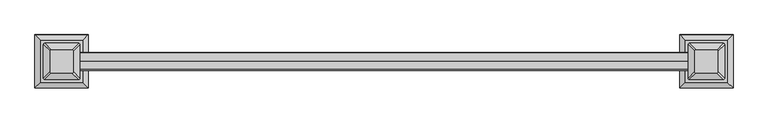
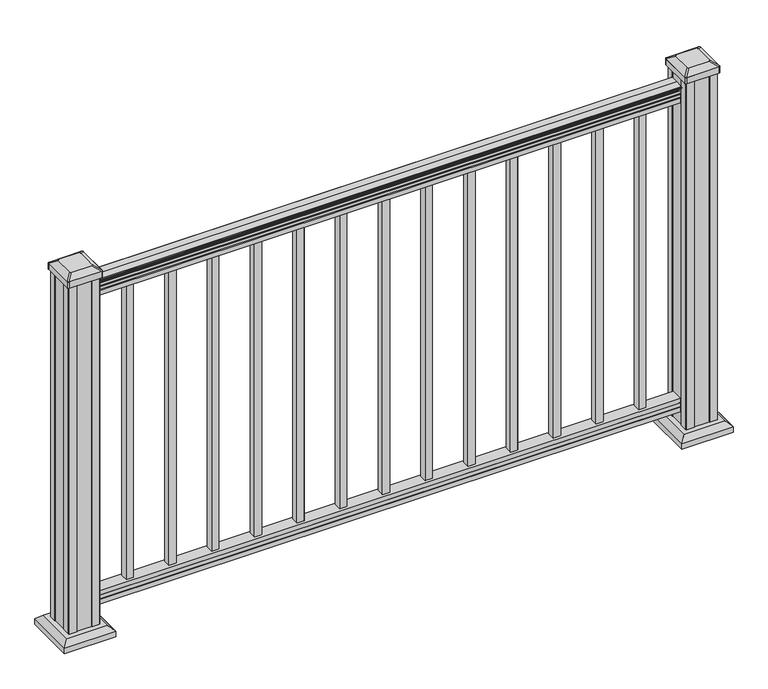
"""IFC4 building model written with IfcOpenShell, lengths in millimetres: railing geometry."""

from ifc_helpers import new_model, si_unit, point, frame, frame_2d, origin, origin_with_axes, place, context, project, spatial, polyline, circle_curve, trimmed, segment, composite_curve, outline, extrude, faceted_brep, source, transform, mapped, element, save
from ifc_brep_helpers import plane_surface, cylinder_surface, revolved_surface, extruded_surface, advanced_brep


def railing_b45ffa72(model_context):
    return source(origin(), model_context, "Body", "SolidModel", [
        advanced_brep(
        [(21892.4289688, 4568.1559745, 938.4043297), (21892.4289688, 4568.1559745, 940.292412), (21892.4289688, 4569.2861608, 941.8546695), (21892.4289688, 4569.2861608, 949.0726458), (21892.4289688, 4568.6369044, 951.5060812), (21892.4289688, 4571.1369044, 955.8362083), (21892.4289688, 4572.5462469, 957.5157972), (21892.4289688, 4572.9481459, 958.6205318), (21892.4289688, 4572.9481458, 959.9608158), (21892.4289688, 4571.3946986, 961.514263), (21892.4289688, 4550.7231458, 961.514263), (21892.4289688, 4530.051593, 961.514263), (21892.4289688, 4528.4981458, 959.9608158), (21892.4289688, 4528.4981458, 958.6205318), (21892.4289688, 4528.9000447, 957.5157972), (21892.4289688, 4530.3093872, 955.8362083), (21892.4289688, 4532.8093872, 951.5060812), (21892.4289688, 4532.1601308, 949.0726458), (21892.4289688, 4532.1601308, 941.8546695), (21892.4289688, 4533.2903171, 940.292412), (21892.4289688, 4533.2903171, 938.4043297), (21892.4289688, 4535.8641458, 938.4043297), (21892.4289688, 4535.8641458, 927.9048283), (21892.4289688, 4534.8481458, 926.8888283), (21892.4289688, 4534.8481458, 914.4), (21892.4289688, 4566.5981458, 914.4), (21892.4289688, 4566.5981458, 926.731013), (21892.4289688, 4565.5821458, 927.747013), (21892.4289688, 4565.5821458, 938.4043297), (20368.4289688, 4568.1559745, 938.4043297), (20368.4289688, 4565.5821458, 938.4043297), (20368.4289688, 4565.5821458, 927.747013), (20368.4289688, 4566.5981458, 926.731013), (20368.4289688, 4566.5981458, 914.4), (20368.4289688, 4534.8481458, 914.4), (20368.4289688, 4534.8481458, 926.8888283), (20368.4289688, 4535.8641458, 927.9048283), (20368.4289688, 4535.8641458, 938.4043297), (20368.4289688, 4533.2903171, 938.4043297), (20368.4289688, 4533.2903171, 940.292412), (20368.4289688, 4532.1601308, 941.8546695), (20368.4289688, 4532.1601308, 949.0726458), (20368.4289688, 4532.8093872, 951.5060812), (20368.4289688, 4530.3093872, 955.8362083), (20368.4289688, 4528.9000447, 957.5157972), (20368.4289688, 4528.4981457, 958.6205318), (20368.4289688, 4528.4981458, 959.9608158), (20368.4289688, 4530.051593, 961.514263), (20368.4289688, 4550.7231458, 961.514263), (20368.4289688, 4571.3946986, 961.514263), (20368.4289688, 4572.9481458, 959.9608158), (20368.4289688, 4572.9481458, 958.6205318), (20368.4289688, 4572.5462469, 957.5157972), (20368.4289688, 4571.1369044, 955.8362083), (20368.4289688, 4568.6369044, 951.5060812), (20368.4289688, 4569.2861608, 949.0726458), (20368.4289688, 4569.2861608, 941.8546695), (20368.4289688, 4568.1559745, 940.292412)],
        [
            (0, 1),
            (1, 2, circle_curve(frame((21892.4289688, 4561.8412213, 946.0506383), z_axis=(1.0, 0.0, 0.0), x_axis=(0.0, -1.0, 0.0)), 8.545951)),
            (2, 3, circle_curve(frame((21892.4289688, 4562.2782842, 945.4636577), z_axis=(1.0, 0.0, 0.0), x_axis=(0.0, -1.0, 0.0)), 7.882584)),
            (3, 4, circle_curve(frame((21892.4289688, 4572.7916083, 951.3112527), z_axis=(-1.0, 0.0, 0.0), x_axis=(0.0, -1.0, 0.0)), 4.1592695)),
            (4, 5, circle_curve(frame((21892.4289688, 4574.0789149, 951.2508864), z_axis=(-1.0, 0.0, 0.0), x_axis=(0.0, -1.0, 0.0)), 5.4479907)),
            (5, 6, circle_curve(frame((21892.4289688, 4572.8457565, 955.833395), z_axis=(-1.0, 0.0, 0.0), x_axis=(0.0, -1.0, 0.0)), 1.7088543)),
            (6, 7, circle_curve(frame((21892.4289688, 4571.2288564, 958.6205318), z_axis=(1.0, 0.0, 0.0), x_axis=(0.0, -1.0, 0.0)), 1.7192895)),
            (7, 8),
            (8, 9, circle_curve(frame((21892.4289688, 4571.3946986, 959.9608158), z_axis=(1.0, 0.0, 0.0), x_axis=(0.0, -1.0, 0.0)), 1.5534472)),
            (9, 10),
            (10, 11),
            (11, 12, circle_curve(frame((21892.4289688, 4530.051593, 959.9608158), z_axis=(1.0, 0.0, 0.0), x_axis=(0.0, 1.0, 0.0)), 1.5534472)),
            (12, 13),
            (13, 14, circle_curve(frame((21892.4289688, 4530.2174352, 958.6205318), z_axis=(1.0, 0.0, 0.0), x_axis=(0.0, 1.0, 0.0)), 1.7192895)),
            (14, 15, circle_curve(frame((21892.4289688, 4528.6005351, 955.833395), z_axis=(-1.0, 0.0, 0.0), x_axis=(0.0, 1.0, 0.0)), 1.7088543)),
            (15, 16, circle_curve(frame((21892.4289688, 4527.3673767, 951.2508864), z_axis=(-1.0, 0.0, 0.0), x_axis=(0.0, 1.0, 0.0)), 5.4479907)),
            (16, 17, circle_curve(frame((21892.4289688, 4528.6546832, 951.3112527), z_axis=(-1.0, 0.0, 0.0), x_axis=(0.0, 1.0, 0.0)), 4.1592695)),
            (17, 18, circle_curve(frame((21892.4289688, 4539.1680074, 945.4636577), z_axis=(1.0, 0.0, 0.0), x_axis=(0.0, 1.0, 0.0)), 7.882584)),
            (18, 19, circle_curve(frame((21892.4289688, 4539.6050703, 946.0506383), z_axis=(1.0, 0.0, 0.0), x_axis=(0.0, 1.0, 0.0)), 8.545951)),
            (19, 20),
            (20, 21, circle_curve(frame((21892.4289688, 4534.5772314, 938.4043297), z_axis=(1.0, 0.0, 0.0), x_axis=(0.0, 1.0, 0.0)), 1.2869144)),
            (21, 22),
            (22, 23),
            (23, 24),
            (24, 25),
            (25, 26),
            (26, 27),
            (27, 28),
            (28, 0, circle_curve(frame((21892.4289688, 4566.8690602, 938.4043297), z_axis=(1.0, 0.0, 0.0), x_axis=(0.0, -1.0, 0.0)), 1.2869144)),
            (29, 30, circle_curve(frame((20368.4289688, 4566.8690602, 938.4043297), z_axis=(-1.0, 0.0, 0.0), x_axis=(0.0, -1.0, 0.0)), 1.2869144)),
            (30, 31),
            (31, 32),
            (32, 33),
            (33, 34),
            (34, 35),
            (35, 36),
            (36, 37),
            (37, 38, circle_curve(frame((20368.4289688, 4534.5772314, 938.4043297), z_axis=(-1.0, 0.0, 0.0), x_axis=(0.0, 1.0, 0.0)), 1.2869144)),
            (38, 39),
            (39, 40, circle_curve(frame((20368.4289688, 4539.6050703, 946.0506383), z_axis=(-1.0, 0.0, 0.0), x_axis=(0.0, 1.0, 0.0)), 8.545951)),
            (40, 41, circle_curve(frame((20368.4289688, 4539.1680074, 945.4636577), z_axis=(-1.0, 0.0, 0.0), x_axis=(0.0, 1.0, 0.0)), 7.882584)),
            (41, 42, circle_curve(frame((20368.4289688, 4528.6546832, 951.3112527), z_axis=(1.0, 0.0, 0.0), x_axis=(0.0, 1.0, 0.0)), 4.1592695)),
            (42, 43, circle_curve(frame((20368.4289688, 4527.3673767, 951.2508864), z_axis=(1.0, 0.0, 0.0), x_axis=(0.0, 1.0, 0.0)), 5.4479907)),
            (43, 44, circle_curve(frame((20368.4289688, 4528.6005351, 955.833395), z_axis=(1.0, 0.0, 0.0), x_axis=(0.0, 1.0, 0.0)), 1.7088543)),
            (44, 45, circle_curve(frame((20368.4289688, 4530.2174352, 958.6205318), z_axis=(-1.0, 0.0, 0.0), x_axis=(0.0, 1.0, 0.0)), 1.7192895)),
            (45, 46),
            (46, 47, circle_curve(frame((20368.4289688, 4530.051593, 959.9608158), z_axis=(-1.0, 0.0, 0.0), x_axis=(0.0, 1.0, 0.0)), 1.5534472)),
            (47, 48),
            (48, 49),
            (49, 50, circle_curve(frame((20368.4289688, 4571.3946986, 959.9608158), z_axis=(-1.0, 0.0, 0.0), x_axis=(0.0, -1.0, 0.0)), 1.5534472)),
            (50, 51),
            (51, 52, circle_curve(frame((20368.4289688, 4571.2288564, 958.6205318), z_axis=(-1.0, 0.0, 0.0), x_axis=(0.0, -1.0, 0.0)), 1.7192895)),
            (52, 53, circle_curve(frame((20368.4289688, 4572.8457565, 955.833395), z_axis=(1.0, 0.0, 0.0), x_axis=(0.0, -1.0, 0.0)), 1.7088543)),
            (53, 54, circle_curve(frame((20368.4289688, 4574.0789149, 951.2508864), z_axis=(1.0, 0.0, 0.0), x_axis=(0.0, -1.0, 0.0)), 5.4479907)),
            (54, 55, circle_curve(frame((20368.4289688, 4572.7916083, 951.3112527), z_axis=(1.0, 0.0, 0.0), x_axis=(0.0, -1.0, 0.0)), 4.1592695)),
            (55, 56, circle_curve(frame((20368.4289688, 4562.2782842, 945.4636577), z_axis=(-1.0, 0.0, 0.0), x_axis=(0.0, -1.0, 0.0)), 7.882584)),
            (56, 57, circle_curve(frame((20368.4289688, 4561.8412213, 946.0506383), z_axis=(-1.0, 0.0, 0.0), x_axis=(0.0, -1.0, 0.0)), 8.545951)),
            (57, 29),
            (28, 30),
            (29, 0),
            (27, 31),
            (26, 32),
            (25, 33),
            (24, 34),
            (23, 35),
            (22, 36),
            (21, 37),
            (20, 38),
            (19, 39),
            (18, 40),
            (17, 41),
            (16, 42),
            (15, 43),
            (14, 44),
            (13, 45),
            (12, 46),
            (11, 47),
            (10, 48),
            (9, 49),
            (8, 50),
            (7, 51),
            (6, 52),
            (5, 53),
            (4, 54),
            (3, 55),
            (2, 56),
            (1, 57),
        ],
        [
            plane_surface(frame((21892.4289688, 4550.7231458, 914.4), z_axis=(1.0, 0.0, 0.0), x_axis=(0.0, -1.0, 0.0))),
            plane_surface(frame((20368.4289688, 4550.7231458, 914.4), z_axis=(-1.0, 0.0, 0.0), x_axis=(0.0, -1.0, 0.0))),
            cylinder_surface(frame((21892.4289688, 4566.8690602, 938.4043297), z_axis=(1.0, 0.0, 0.0), x_axis=(0.0, -1.0, 0.0)), 1.2869144),
            plane_surface(frame((21892.4289688, 4565.5821458, 927.747013), z_axis=(0.0, 1.0, 0.0), x_axis=(-1.0, 0.0, 0.0))),
            plane_surface(frame((21892.4289688, 4566.5981458, 926.731013), z_axis=(0.0, 0.7071067811865395, 0.7071067811865556), x_axis=(-1.0, 0.0, 0.0))),
            plane_surface(frame((21892.4289688, 4566.5981458, 914.4), z_axis=(0.0, 1.0, 0.0), x_axis=(-1.0, 0.0, 0.0))),
            plane_surface(frame((21892.4289688, 4534.8481458, 914.4), z_axis=(0.0, 0.0, -1.0), x_axis=(-1.0, 0.0, 0.0))),
            plane_surface(frame((21892.4289688, 4534.8481458, 926.8888283), z_axis=(0.0, -1.0, 0.0), x_axis=(-1.0, 0.0, 0.0))),
            plane_surface(frame((21892.4289688, 4535.8641458, 927.9048283), z_axis=(0.0, -0.7071067811865432, 0.707106781186552), x_axis=(-1.0, 0.0, 0.0))),
            plane_surface(frame((21892.4289688, 4535.8641458, 938.4043297), z_axis=(0.0, -1.0, 0.0), x_axis=(-1.0, 0.0, 0.0))),
            cylinder_surface(frame((21892.4289688, 4534.5772314, 938.4043297), z_axis=(1.0, 0.0, 0.0), x_axis=(0.0, 1.0, 0.0)), 1.2869144),
            plane_surface(frame((21892.4289688, 4533.2903171, 940.292412), z_axis=(0.0, -1.0, 0.0), x_axis=(-1.0, 0.0, 0.0))),
            cylinder_surface(frame((21892.4289688, 4539.6050703, 946.0506383), z_axis=(1.0, 0.0, 0.0), x_axis=(0.0, 1.0, 0.0)), 8.545951),
            cylinder_surface(frame((21892.4289688, 4539.1680074, 945.4636577), z_axis=(1.0, 0.0, 0.0), x_axis=(0.0, 1.0, 0.0)), 7.882584),
            revolved_surface(polyline([(20368.4289688, 4532.8139527, 951.3112527), (21892.4289688, 4532.8139527, 951.3112527)]), (21892.4289688, 4528.6546832, 951.3112527), (-1.0, 0.0, 0.0)),
            revolved_surface(polyline([(20368.4289688, 4532.8153674000005, 951.2508864), (21892.4289688, 4532.8153674000005, 951.2508864)]), (21892.4289688, 4527.3673767, 951.2508864), (-1.0, 0.0, 0.0)),
            revolved_surface(polyline([(20368.4289688, 4530.3093894, 955.833395), (21892.4289688, 4530.3093894, 955.833395)]), (21892.4289688, 4528.6005351, 955.833395), (-1.0, 0.0, 0.0)),
            cylinder_surface(frame((21892.4289688, 4530.2174352, 958.6205318), z_axis=(1.0, 0.0, 0.0), x_axis=(0.0, 1.0, 0.0)), 1.7192895),
            plane_surface(frame((21892.4289688, 4528.4981458, 959.9608158), z_axis=(0.0, -1.0, 0.0), x_axis=(-1.0, 0.0, 0.0))),
            cylinder_surface(frame((21892.4289688, 4530.051593, 959.9608158), z_axis=(1.0, 0.0, 0.0), x_axis=(0.0, 1.0, 0.0)), 1.5534472),
            plane_surface(frame((21892.4289688, 4550.7231458, 961.514263), z_axis=(0.0, 0.0, 1.0), x_axis=(-1.0, 0.0, 0.0))),
            plane_surface(frame((21892.4289688, 4571.3946986, 961.514263), z_axis=(0.0, 0.0, 1.0), x_axis=(-1.0, 0.0, 0.0))),
            cylinder_surface(frame((21892.4289688, 4571.3946986, 959.9608158), z_axis=(1.0, 0.0, 0.0), x_axis=(0.0, -1.0, 0.0)), 1.5534472),
            plane_surface(frame((21892.4289688, 4572.9481458, 958.6205318), z_axis=(0.0, 1.0, 0.0), x_axis=(-1.0, 0.0, 0.0))),
            cylinder_surface(frame((21892.4289688, 4571.2288564, 958.6205318), z_axis=(1.0, 0.0, 0.0), x_axis=(0.0, -1.0, 0.0)), 1.7192895),
            revolved_surface(polyline([(20368.4289688, 4571.1369022, 955.833395), (21892.4289688, 4571.1369022, 955.833395)]), (21892.4289688, 4572.8457565, 955.833395), (-1.0, 0.0, 0.0)),
            revolved_surface(polyline([(20368.4289688, 4568.6309242, 951.2508864), (21892.4289688, 4568.6309242, 951.2508864)]), (21892.4289688, 4574.0789149, 951.2508864), (-1.0, 0.0, 0.0)),
            revolved_surface(polyline([(20368.4289688, 4568.6323388, 951.3112527), (21892.4289688, 4568.6323388, 951.3112527)]), (21892.4289688, 4572.7916083, 951.3112527), (-1.0, 0.0, 0.0)),
            cylinder_surface(frame((21892.4289688, 4562.2782842, 945.4636577), z_axis=(1.0, 0.0, 0.0), x_axis=(0.0, -1.0, 0.0)), 7.882584),
            cylinder_surface(frame((21892.4289688, 4561.8412213, 946.0506383), z_axis=(1.0, 0.0, 0.0), x_axis=(0.0, -1.0, 0.0)), 8.545951),
            plane_surface(frame((21892.4289688, 4568.1559745, 938.4043297), z_axis=(0.0, 1.0, 0.0), x_axis=(-1.0, 0.0, 0.0))),
        ],
        [
            (0, [[1, 2, 3, 4, 5, 6, 7, 8, 9, 10, 11, 12, 13, 14, 15, 16, 17, 18, 19, 20, 21, 22, 23, 24, 25, 26, 27, 28, 29]]),
            (1, [[30, 31, 32, 33, 34, 35, 36, 37, 38, 39, 40, 41, 42, 43, 44, 45, 46, 47, 48, 49, 50, 51, 52, 53, 54, 55, 56, 57, 58]]),
            (2, [[-29, 59, -30, 60]]),
            (3, [[-28, 61, -31, -59]]),
            (4, [[-27, 62, -32, -61]]),
            (5, [[-26, 63, -33, -62]]),
            (6, [[-25, 64, -34, -63]]),
            (7, [[-24, 65, -35, -64]]),
            (8, [[-23, 66, -36, -65]]),
            (9, [[-22, 67, -37, -66]]),
            (10, [[-21, 68, -38, -67]]),
            (11, [[-20, 69, -39, -68]]),
            (12, [[-19, 70, -40, -69]]),
            (13, [[-18, 71, -41, -70]]),
            (14, [[-17, 72, -42, -71]]),
            (15, [[-16, 73, -43, -72]]),
            (16, [[-15, 74, -44, -73]]),
            (17, [[-14, 75, -45, -74]]),
            (18, [[-13, 76, -46, -75]]),
            (19, [[-12, 77, -47, -76]]),
            (20, [[-11, 78, -48, -77]]),
            (21, [[-10, 79, -49, -78]]),
            (22, [[-9, 80, -50, -79]]),
            (23, [[-8, 81, -51, -80]]),
            (24, [[-7, 82, -52, -81]]),
            (25, [[-6, 83, -53, -82]]),
            (26, [[-5, 84, -54, -83]]),
            (27, [[-4, 85, -55, -84]]),
            (28, [[-3, 86, -56, -85]]),
            (29, [[-2, 87, -57, -86]]),
            (30, [[-1, -60, -58, -87]]),
        ],
    ),
        faceted_brep([(21892.4289688, 4566.6356327, 76.0541976), (21892.4289688, 4565.6196327, 77.3546183), (21892.4289688, 4565.6196327, 87.7141717), (21892.4289688, 4566.6356327, 89.0624492), (21892.4289688, 4566.6356327, 101.5958781), (21892.4289688, 4534.8856327, 101.5958781), (21892.4289688, 4534.8856327, 89.0458024), (21892.4289688, 4535.9016327, 87.6975248), (21892.4289688, 4535.9016327, 77.3858283), (21892.4289688, 4534.8856327, 76.0375508), (21892.4289688, 4534.8856327, 63.5), (21892.4289688, 4566.6356327, 63.5), (20368.4289688, 4566.6356327, 76.0541976), (20368.4289688, 4566.6356327, 63.5), (20368.4289688, 4534.8856327, 63.5), (20368.4289688, 4534.8856327, 76.0375508), (20368.4289688, 4535.9016327, 77.3858283), (20368.4289688, 4535.9016327, 87.6975248), (20368.4289688, 4534.8856327, 89.0458024), (20368.4289688, 4534.8856327, 101.5958781), (20368.4289688, 4566.6356327, 101.5958781), (20368.4289688, 4566.6356327, 89.0624492), (20368.4289688, 4565.6196327, 87.7141717), (20368.4289688, 4565.6196327, 77.3546183)], [[[0, 1, 2, 3, 4, 5, 6, 7, 8, 9, 10, 11]], [[12, 13, 14, 15, 16, 17, 18, 19, 20, 21, 22, 23]], [[0, 11, 13, 12]], [[11, 10, 14, 13]], [[10, 9, 15, 14]], [[9, 8, 16, 15]], [[8, 7, 17, 16]], [[7, 6, 18, 17]], [[6, 5, 19, 18]], [[5, 4, 20, 19]], [[4, 3, 21, 20]], [[3, 2, 22, 21]], [[2, 1, 23, 22]], [[1, 0, 12, 23]]]),
        extrude(outline(polyline([(20473.0055313, 4560.2481458), (20473.0055313, 4541.1981458), (20453.9555313, 4541.1981458), (20453.9555313, 4560.2481458), (20473.0055313, 4560.2481458)]), holes=[polyline([(20472.6086563, 4559.8512708), (20454.3524063, 4559.8512708), (20454.3524063, 4541.5950208), (20472.6086563, 4541.5950208), (20472.6086563, 4559.8512708)])]), frame((0.0, 0.0, 101.5958781), z_axis=(0.0, 0.0, 1.0), x_axis=(1.0, 0.0, 0.0)), (0.0, 0.0, 1.0), 812.8041219),
        extrude(outline(polyline([(20584.1305313, 4560.2481458), (20584.1305313, 4541.1981458), (20565.0805313, 4541.1981458), (20565.0805313, 4560.2481458), (20584.1305313, 4560.2481458)]), holes=[polyline([(20583.7336563, 4559.8512708), (20565.4774063, 4559.8512708), (20565.4774063, 4541.5950208), (20583.7336563, 4541.5950208), (20583.7336563, 4559.8512708)])]), frame((0.0, 0.0, 101.5958781), z_axis=(0.0, 0.0, 1.0), x_axis=(1.0, 0.0, 0.0)), (0.0, 0.0, 1.0), 812.8041219),
        extrude(outline(polyline([(20695.2555313, 4560.2481458), (20695.2555313, 4541.1981458), (20676.2055313, 4541.1981458), (20676.2055313, 4560.2481458), (20695.2555313, 4560.2481458)]), holes=[polyline([(20694.8586563, 4559.8512708), (20676.6024063, 4559.8512708), (20676.6024063, 4541.5950208), (20694.8586563, 4541.5950208), (20694.8586563, 4559.8512708)])]), frame((0.0, 0.0, 101.5958781), z_axis=(0.0, 0.0, 1.0), x_axis=(1.0, 0.0, 0.0)), (0.0, 0.0, 1.0), 812.8041219),
        extrude(outline(polyline([(20806.3805313, 4560.2481458), (20806.3805313, 4541.1981458), (20787.3305313, 4541.1981458), (20787.3305313, 4560.2481458), (20806.3805313, 4560.2481458)]), holes=[polyline([(20805.9836563, 4559.8512708), (20787.7274063, 4559.8512708), (20787.7274063, 4541.5950208), (20805.9836563, 4541.5950208), (20805.9836563, 4559.8512708)])]), frame((0.0, 0.0, 101.5958781), z_axis=(0.0, 0.0, 1.0), x_axis=(1.0, 0.0, 0.0)), (0.0, 0.0, 1.0), 812.8041219),
        extrude(outline(polyline([(20917.5055313, 4560.2481458), (20917.5055313, 4541.1981458), (20898.4555313, 4541.1981458), (20898.4555313, 4560.2481458), (20917.5055313, 4560.2481458)]), holes=[polyline([(20917.1086563, 4559.8512708), (20898.8524063, 4559.8512708), (20898.8524063, 4541.5950208), (20917.1086563, 4541.5950208), (20917.1086563, 4559.8512708)])]), frame((0.0, 0.0, 101.5958781), z_axis=(0.0, 0.0, 1.0), x_axis=(1.0, 0.0, 0.0)), (0.0, 0.0, 1.0), 812.8041219),
        extrude(outline(polyline([(21028.6305313, 4560.2481458), (21028.6305313, 4541.1981458), (21009.5805313, 4541.1981458), (21009.5805313, 4560.2481458), (21028.6305313, 4560.2481458)]), holes=[polyline([(21028.2336563, 4559.8512708), (21009.9774063, 4559.8512708), (21009.9774063, 4541.5950208), (21028.2336563, 4541.5950208), (21028.2336563, 4559.8512708)])]), frame((0.0, 0.0, 101.5958781), z_axis=(0.0, 0.0, 1.0), x_axis=(1.0, 0.0, 0.0)), (0.0, 0.0, 1.0), 812.8041219),
        extrude(outline(polyline([(21139.7555313, 4560.2481458), (21139.7555313, 4541.1981458), (21120.7055313, 4541.1981458), (21120.7055313, 4560.2481458), (21139.7555313, 4560.2481458)]), holes=[polyline([(21139.3586563, 4559.8512708), (21121.1024063, 4559.8512708), (21121.1024063, 4541.5950208), (21139.3586563, 4541.5950208), (21139.3586563, 4559.8512708)])]), frame((0.0, 0.0, 101.5958781), z_axis=(0.0, 0.0, 1.0), x_axis=(1.0, 0.0, 0.0)), (0.0, 0.0, 1.0), 812.8041219),
        extrude(outline(polyline([(21250.8805313, 4560.2481458), (21250.8805313, 4541.1981458), (21231.8305313, 4541.1981458), (21231.8305313, 4560.2481458), (21250.8805313, 4560.2481458)]), holes=[polyline([(21250.4836563, 4559.8512708), (21232.2274063, 4559.8512708), (21232.2274063, 4541.5950208), (21250.4836563, 4541.5950208), (21250.4836563, 4559.8512708)])]), frame((0.0, 0.0, 101.5958781), z_axis=(0.0, 0.0, 1.0), x_axis=(1.0, 0.0, 0.0)), (0.0, 0.0, 1.0), 812.8041219),
        extrude(outline(polyline([(21362.0055313, 4560.2481458), (21362.0055313, 4541.1981458), (21342.9555313, 4541.1981458), (21342.9555313, 4560.2481458), (21362.0055313, 4560.2481458)]), holes=[polyline([(21361.6086563, 4559.8512708), (21343.3524063, 4559.8512708), (21343.3524063, 4541.5950208), (21361.6086563, 4541.5950208), (21361.6086563, 4559.8512708)])]), frame((0.0, 0.0, 101.5958781), z_axis=(0.0, 0.0, 1.0), x_axis=(1.0, 0.0, 0.0)), (0.0, 0.0, 1.0), 812.8041219),
        extrude(outline(polyline([(21473.1305313, 4560.2481458), (21473.1305313, 4541.1981458), (21454.0805313, 4541.1981458), (21454.0805313, 4560.2481458), (21473.1305313, 4560.2481458)]), holes=[polyline([(21472.7336563, 4559.8512708), (21454.4774063, 4559.8512708), (21454.4774063, 4541.5950208), (21472.7336563, 4541.5950208), (21472.7336563, 4559.8512708)])]), frame((0.0, 0.0, 101.5958781), z_axis=(0.0, 0.0, 1.0), x_axis=(1.0, 0.0, 0.0)), (0.0, 0.0, 1.0), 812.8041219),
        extrude(outline(polyline([(21584.2555313, 4560.2481458), (21584.2555313, 4541.1981458), (21565.2055313, 4541.1981458), (21565.2055313, 4560.2481458), (21584.2555313, 4560.2481458)]), holes=[polyline([(21583.8586563, 4559.8512708), (21565.6024063, 4559.8512708), (21565.6024063, 4541.5950208), (21583.8586563, 4541.5950208), (21583.8586563, 4559.8512708)])]), frame((0.0, 0.0, 101.5958781), z_axis=(0.0, 0.0, 1.0), x_axis=(1.0, 0.0, 0.0)), (0.0, 0.0, 1.0), 812.8041219),
        extrude(outline(polyline([(21695.3805313, 4560.2481458), (21695.3805313, 4541.1981458), (21676.3305313, 4541.1981458), (21676.3305313, 4560.2481458), (21695.3805313, 4560.2481458)]), holes=[polyline([(21694.9836563, 4559.8512708), (21676.7274063, 4559.8512708), (21676.7274063, 4541.5950208), (21694.9836563, 4541.5950208), (21694.9836563, 4559.8512708)])]), frame((0.0, 0.0, 101.5958781), z_axis=(0.0, 0.0, 1.0), x_axis=(1.0, 0.0, 0.0)), (0.0, 0.0, 1.0), 812.8041219),
        extrude(outline(polyline([(21806.5055313, 4560.2481458), (21806.5055313, 4541.1981458), (21787.4555313, 4541.1981458), (21787.4555313, 4560.2481458), (21806.5055313, 4560.2481458)]), holes=[polyline([(21806.1086563, 4559.8512708), (21787.8524063, 4559.8512708), (21787.8524063, 4541.5950208), (21806.1086563, 4541.5950208), (21806.1086563, 4559.8512708)])]), frame((0.0, 0.0, 101.5958781), z_axis=(0.0, 0.0, 1.0), x_axis=(1.0, 0.0, 0.0)), (0.0, 0.0, 1.0), 812.8041219),
        faceted_brep([(20379.7399063, 4603.3090833, 28.575), (20274.5680313, 4603.3090833, 28.575), (20274.5680313, 4498.1372083, 28.575), (20379.7399063, 4498.1372083, 28.575), (20393.7793595, 4617.3485364, 15.24), (20393.7793595, 4484.0977552, 15.24), (20260.5285782, 4484.0977552, 15.24), (20260.5285782, 4617.3485364, 15.24)], [[[0, 1, 2, 3]], [[4, 5, 6, 7]], [[4, 0, 3, 5]], [[5, 3, 2, 6]], [[6, 2, 1, 7]], [[7, 1, 0, 4]]]),
        extrude(outline(polyline([(20393.7793595, 4617.3485364), (20393.7793595, 4484.0977552), (20260.5285782, 4484.0977552), (20260.5285782, 4617.3485364), (20393.7793595, 4617.3485364)])), origin_with_axes(), (0.0, 0.0, 1.0), 15.24),
        advanced_brep(
        [(20356.1258438, 4524.9262708, 1012.825), (20356.1258438, 4576.5200208, 1012.825), (20352.9508438, 4579.6950208, 1012.825), (20301.3570938, 4579.6950208, 1012.825), (20298.1820938, 4576.5200208, 1012.825), (20298.1820938, 4524.9262708, 1012.825), (20301.3570938, 4521.7512708, 1012.825), (20352.9508438, 4521.7512708, 1012.825), (20372.3977188, 4508.6543958, 1001.522), (20369.2227188, 4505.4793958, 1001.522), (20285.0852188, 4505.4793958, 1001.522), (20281.9102188, 4508.6543958, 1001.522), (20281.9102188, 4592.7918958, 1001.522), (20285.0852188, 4595.9668958, 1001.522), (20369.2227188, 4595.9668958, 1001.522), (20372.3977188, 4592.7918958, 1001.522)],
        [
            (0, 1),
            (1, 2, circle_curve(frame((20352.9508438, 4576.5200208, 1012.825), z_axis=(0.0, 0.0, 1.0), x_axis=(-1.0, 0.0, 0.0)), 3.175)),
            (2, 3),
            (3, 4, circle_curve(frame((20301.3570938, 4576.5200208, 1012.825), z_axis=(0.0, 0.0, 1.0), x_axis=(-1.0, 0.0, 0.0)), 3.175)),
            (4, 5),
            (5, 6, circle_curve(frame((20301.3570938, 4524.9262708, 1012.825), z_axis=(0.0, 0.0, 1.0), x_axis=(-1.0, 0.0, 0.0)), 3.175)),
            (6, 7),
            (7, 0, circle_curve(frame((20352.9508438, 4524.9262708, 1012.825), z_axis=(0.0, 0.0, 1.0), x_axis=(-1.0, 0.0, 0.0)), 3.175)),
            (8, 9, circle_curve(frame((20369.2227188, 4508.6543958, 1001.522), z_axis=(0.0, 0.0, -1.0), x_axis=(-1.0, 0.0, 0.0)), 3.175)),
            (9, 10),
            (10, 11, circle_curve(frame((20285.0852188, 4508.6543958, 1001.522), z_axis=(0.0, 0.0, -1.0), x_axis=(-1.0, 0.0, 0.0)), 3.175)),
            (11, 12),
            (12, 13, circle_curve(frame((20285.0852188, 4592.7918958, 1001.522), z_axis=(0.0, 0.0, -1.0), x_axis=(-1.0, 0.0, 0.0)), 3.175)),
            (13, 14),
            (14, 15, circle_curve(frame((20369.2227188, 4592.7918958, 1001.522), z_axis=(0.0, 0.0, -1.0), x_axis=(-1.0, 0.0, 0.0)), 3.175)),
            (15, 8),
            (8, 0),
            (7, 9),
            (6, 10),
            (5, 11),
            (4, 12),
            (3, 13),
            (2, 14),
            (1, 15),
        ],
        [
            plane_surface(frame((20327.1539688, 4550.7231458, 1012.825), z_axis=(0.0, 0.0, 1.0), x_axis=(0.0, -1.0, 0.0))),
            plane_surface(frame((20327.1539688, 4550.7231458, 1001.522), z_axis=(0.0, 0.0, -1.0), x_axis=(0.0, -1.0, 0.0))),
            extruded_surface(trimmed(circle_curve(frame((20352.9508438, 4524.9262708, 1012.825), z_axis=(0.0, 0.0, -1.0), x_axis=(-1.0, 0.0, 0.0)), 3.175), [point((20356.1258438, 4524.9262708, 1012.825))], [point((20352.9508438, 4521.7512708, 1012.825))], True, "CARTESIAN"), (16.271874999998545, -16.271874999999454, -11.302999999999997), 25.63797263886489),
            plane_surface(frame((20327.1539688, 4505.4793958, 1001.522), z_axis=(0.0, -0.5705009161540779, 0.8212969649690408), x_axis=(-1.0, 0.0, 0.0))),
            extruded_surface(trimmed(circle_curve(frame((20301.3570938, 4524.9262708, 1012.825), z_axis=(0.0, 0.0, -1.0), x_axis=(-1.0, 0.0, 0.0)), 3.175), [point((20301.3570938, 4521.7512708, 1012.825))], [point((20298.1820938, 4524.9262708, 1012.825))], True, "CARTESIAN"), (-16.271875000002183, -16.271874999999454, -11.302999999999997), 25.6379726388672),
            plane_surface(frame((20281.9102188, 4550.7231458, 1001.522), z_axis=(-0.5705009161540291, 0.0, 0.8212969649690747), x_axis=(0.0, 1.0, 0.0))),
            extruded_surface(trimmed(circle_curve(frame((20301.3570938, 4576.5200208, 1012.825), z_axis=(0.0, 0.0, -1.0), x_axis=(-1.0, 0.0, 0.0)), 3.175), [point((20298.1820938, 4576.5200208, 1012.825))], [point((20301.3570938, 4579.6950208, 1012.825))], True, "CARTESIAN"), (-16.271875000002183, 16.271875000000364, -11.302999999999997), 25.63797263886778),
            plane_surface(frame((20327.1539688, 4595.9668958, 1001.522), z_axis=(0.0, 0.5705009161540141, 0.8212969649690851), x_axis=(1.0, 0.0, 0.0))),
            extruded_surface(trimmed(circle_curve(frame((20352.9508438, 4576.5200208, 1012.825), z_axis=(0.0, 0.0, -1.0), x_axis=(-1.0, 0.0, 0.0)), 3.175), [point((20352.9508438, 4579.6950208, 1012.825))], [point((20356.1258438, 4576.5200208, 1012.825))], True, "CARTESIAN"), (16.271874999998545, 16.271875000000364, -11.302999999999997), 25.637972638865467),
            plane_surface(frame((20372.3977188, 4550.7231458, 1001.522), z_axis=(0.570500916154034, 0.0, 0.8212969649690713), x_axis=(0.0, -1.0, 0.0))),
        ],
        [
            (0, [[1, 2, 3, 4, 5, 6, 7, 8]]),
            (1, [[9, 10, 11, 12, 13, 14, 15, 16]]),
            (2, [[17, -8, 18, -9]]),
            (3, [[-18, -7, 19, -10]]),
            (4, [[-19, -6, 20, -11]]),
            (5, [[-20, -5, 21, -12]]),
            (6, [[-21, -4, 22, -13]]),
            (7, [[-22, -3, 23, -14]]),
            (8, [[-23, -2, 24, -15]]),
            (9, [[-24, -1, -17, -16]]),
        ],
    ),
        extrude(outline(composite_curve([segment(trimmed(circle_curve(frame_2d((20369.2227188, 4508.6543958)), 3.175), [point((20372.3977188, 4508.6543958))], [point((20369.2227188, 4505.4793958))], False, "CARTESIAN"), True, "CONTINUOUS"), segment(polyline([(20369.2227188, 4505.4793958), (20285.0852188, 4505.4793958)]), True, "CONTINUOUS"), segment(trimmed(circle_curve(frame_2d((20285.0852188, 4508.6543958)), 3.175), [point((20285.0852188, 4505.4793958))], [point((20281.9102188, 4508.6543958))], False, "CARTESIAN"), True, "CONTINUOUS"), segment(polyline([(20281.9102188, 4508.6543958), (20281.9102188, 4592.7918958)]), True, "CONTINUOUS"), segment(trimmed(circle_curve(frame_2d((20285.0852188, 4592.7918958)), 3.175), [point((20281.9102188, 4592.7918958))], [point((20285.0852188, 4595.9668958))], False, "CARTESIAN"), True, "CONTINUOUS"), segment(polyline([(20285.0852188, 4595.9668958), (20369.2227188, 4595.9668958)]), True, "CONTINUOUS"), segment(trimmed(circle_curve(frame_2d((20369.2227188, 4592.7918958)), 3.175), [point((20369.2227188, 4595.9668958))], [point((20372.3977188, 4592.7918958))], False, "CARTESIAN"), True, "CONTINUOUS"), segment(polyline([(20372.3977188, 4592.7918958), (20372.3977188, 4508.6543958)]), True, "CONTINUOUS")], self_intersect=False)), frame((0.0, 0.0, 984.25), z_axis=(0.0, 0.0, 1.0), x_axis=(1.0, 0.0, 0.0)), (0.0, 0.0, 1.0), 17.272),
        extrude(outline(polyline([(20368.4289688, 4511.0356458), (20366.8414688, 4509.4481458), (20347.2199688, 4509.4481458), (20346.4579688, 4511.0356458), (20307.8499688, 4511.0356458), (20307.0879688, 4509.4481458), (20287.4664688, 4509.4481458), (20285.8789688, 4511.0356458), (20285.8789688, 4530.6571458), (20287.4664688, 4531.4191458), (20287.4664688, 4570.0271458), (20285.8789688, 4570.7891458), (20285.8789688, 4590.4106458), (20287.4664688, 4591.9981458), (20307.0879688, 4591.9981458), (20307.8499688, 4590.4106458), (20346.4579688, 4590.4106458), (20347.2199688, 4591.9981458), (20366.8414688, 4591.9981458), (20368.4289688, 4590.4106458), (20368.4289688, 4570.7891458), (20366.8414688, 4570.0271458), (20366.8414688, 4531.4191458), (20368.4289688, 4530.6571458), (20368.4289688, 4511.0356458)])), origin_with_axes(), (0.0, 0.0, 1.0), 984.25),
        faceted_brep([(21986.2899063, 4603.3090833, 28.575), (21881.1180313, 4603.3090833, 28.575), (21881.1180313, 4498.1372083, 28.575), (21986.2899063, 4498.1372083, 28.575), (22000.3293595, 4617.3485364, 15.24), (22000.3293595, 4484.0977552, 15.24), (21867.0785782, 4484.0977552, 15.24), (21867.0785782, 4617.3485364, 15.24)], [[[0, 1, 2, 3]], [[4, 5, 6, 7]], [[4, 0, 3, 5]], [[5, 3, 2, 6]], [[6, 2, 1, 7]], [[7, 1, 0, 4]]]),
        extrude(outline(polyline([(22000.3293595, 4617.3485364), (22000.3293595, 4484.0977552), (21867.0785782, 4484.0977552), (21867.0785782, 4617.3485364), (22000.3293595, 4617.3485364)])), origin_with_axes(), (0.0, 0.0, 1.0), 15.24),
        advanced_brep(
        [(21962.6758438, 4524.9262708, 1012.825), (21962.6758438, 4576.5200208, 1012.825), (21959.5008438, 4579.6950208, 1012.825), (21907.9070938, 4579.6950208, 1012.825), (21904.7320938, 4576.5200208, 1012.825), (21904.7320938, 4524.9262708, 1012.825), (21907.9070938, 4521.7512708, 1012.825), (21959.5008438, 4521.7512708, 1012.825), (21978.9477188, 4508.6543958, 1001.522), (21975.7727188, 4505.4793958, 1001.522), (21891.6352188, 4505.4793958, 1001.522), (21888.4602188, 4508.6543958, 1001.522), (21888.4602188, 4592.7918958, 1001.522), (21891.6352188, 4595.9668958, 1001.522), (21975.7727188, 4595.9668958, 1001.522), (21978.9477188, 4592.7918958, 1001.522)],
        [
            (0, 1),
            (1, 2, circle_curve(frame((21959.5008438, 4576.5200208, 1012.825), z_axis=(0.0, 0.0, 1.0), x_axis=(-1.0, 0.0, 0.0)), 3.175)),
            (2, 3),
            (3, 4, circle_curve(frame((21907.9070938, 4576.5200208, 1012.825), z_axis=(0.0, 0.0, 1.0), x_axis=(-1.0, 0.0, 0.0)), 3.175)),
            (4, 5),
            (5, 6, circle_curve(frame((21907.9070938, 4524.9262708, 1012.825), z_axis=(0.0, 0.0, 1.0), x_axis=(-1.0, 0.0, 0.0)), 3.175)),
            (6, 7),
            (7, 0, circle_curve(frame((21959.5008438, 4524.9262708, 1012.825), z_axis=(0.0, 0.0, 1.0), x_axis=(-1.0, 0.0, 0.0)), 3.175)),
            (8, 9, circle_curve(frame((21975.7727188, 4508.6543958, 1001.522), z_axis=(0.0, 0.0, -1.0), x_axis=(-1.0, 0.0, 0.0)), 3.175)),
            (9, 10),
            (10, 11, circle_curve(frame((21891.6352188, 4508.6543958, 1001.522), z_axis=(0.0, 0.0, -1.0), x_axis=(-1.0, 0.0, 0.0)), 3.175)),
            (11, 12),
            (12, 13, circle_curve(frame((21891.6352188, 4592.7918958, 1001.522), z_axis=(0.0, 0.0, -1.0), x_axis=(-1.0, 0.0, 0.0)), 3.175)),
            (13, 14),
            (14, 15, circle_curve(frame((21975.7727188, 4592.7918958, 1001.522), z_axis=(0.0, 0.0, -1.0), x_axis=(-1.0, 0.0, 0.0)), 3.175)),
            (15, 8),
            (8, 0),
            (7, 9),
            (6, 10),
            (5, 11),
            (4, 12),
            (3, 13),
            (2, 14),
            (1, 15),
        ],
        [
            plane_surface(frame((21933.7039688, 4550.7231458, 1012.825), z_axis=(0.0, 0.0, 1.0), x_axis=(0.0, -1.0, 0.0))),
            plane_surface(frame((21933.7039688, 4550.7231458, 1001.522), z_axis=(0.0, 0.0, -1.0), x_axis=(0.0, -1.0, 0.0))),
            extruded_surface(trimmed(circle_curve(frame((21959.5008438, 4524.9262708, 1012.825), z_axis=(0.0, 0.0, -1.0), x_axis=(-1.0, 0.0, 0.0)), 3.175), [point((21962.6758438, 4524.9262708, 1012.825))], [point((21959.5008438, 4521.7512708, 1012.825))], True, "CARTESIAN"), (16.271874999998545, -16.271874999999454, -11.302999999999997), 25.63797263886489),
            plane_surface(frame((21933.7039688, 4505.4793958, 1001.522), z_axis=(0.0, -0.5705009161540779, 0.8212969649690408), x_axis=(-1.0, 0.0, 0.0))),
            extruded_surface(trimmed(circle_curve(frame((21907.9070938, 4524.9262708, 1012.825), z_axis=(0.0, 0.0, -1.0), x_axis=(-1.0, 0.0, 0.0)), 3.175), [point((21907.9070938, 4521.7512708, 1012.825))], [point((21904.7320938, 4524.9262708, 1012.825))], True, "CARTESIAN"), (-16.271875000002183, -16.271874999999454, -11.302999999999997), 25.6379726388672),
            plane_surface(frame((21888.4602188, 4550.7231458, 1001.522), z_axis=(-0.5705009161540291, 0.0, 0.8212969649690747), x_axis=(0.0, 1.0, 0.0))),
            extruded_surface(trimmed(circle_curve(frame((21907.9070938, 4576.5200208, 1012.825), z_axis=(0.0, 0.0, -1.0), x_axis=(-1.0, 0.0, 0.0)), 3.175), [point((21904.7320938, 4576.5200208, 1012.825))], [point((21907.9070938, 4579.6950208, 1012.825))], True, "CARTESIAN"), (-16.271875000002183, 16.271875000000364, -11.302999999999997), 25.63797263886778),
            plane_surface(frame((21933.7039688, 4595.9668958, 1001.522), z_axis=(0.0, 0.5705009161540141, 0.8212969649690851), x_axis=(1.0, 0.0, 0.0))),
            extruded_surface(trimmed(circle_curve(frame((21959.5008438, 4576.5200208, 1012.825), z_axis=(0.0, 0.0, -1.0), x_axis=(-1.0, 0.0, 0.0)), 3.175), [point((21959.5008438, 4579.6950208, 1012.825))], [point((21962.6758438, 4576.5200208, 1012.825))], True, "CARTESIAN"), (16.271874999998545, 16.271875000000364, -11.302999999999997), 25.637972638865467),
            plane_surface(frame((21978.9477188, 4550.7231458, 1001.522), z_axis=(0.570500916154034, 0.0, 0.8212969649690713), x_axis=(0.0, -1.0, 0.0))),
        ],
        [
            (0, [[1, 2, 3, 4, 5, 6, 7, 8]]),
            (1, [[9, 10, 11, 12, 13, 14, 15, 16]]),
            (2, [[17, -8, 18, -9]]),
            (3, [[-18, -7, 19, -10]]),
            (4, [[-19, -6, 20, -11]]),
            (5, [[-20, -5, 21, -12]]),
            (6, [[-21, -4, 22, -13]]),
            (7, [[-22, -3, 23, -14]]),
            (8, [[-23, -2, 24, -15]]),
            (9, [[-24, -1, -17, -16]]),
        ],
    ),
        extrude(outline(composite_curve([segment(trimmed(circle_curve(frame_2d((21975.7727188, 4508.6543958)), 3.175), [point((21978.9477188, 4508.6543958))], [point((21975.7727188, 4505.4793958))], False, "CARTESIAN"), True, "CONTINUOUS"), segment(polyline([(21975.7727188, 4505.4793958), (21891.6352188, 4505.4793958)]), True, "CONTINUOUS"), segment(trimmed(circle_curve(frame_2d((21891.6352188, 4508.6543958)), 3.175), [point((21891.6352188, 4505.4793958))], [point((21888.4602188, 4508.6543958))], False, "CARTESIAN"), True, "CONTINUOUS"), segment(polyline([(21888.4602188, 4508.6543958), (21888.4602188, 4592.7918958)]), True, "CONTINUOUS"), segment(trimmed(circle_curve(frame_2d((21891.6352188, 4592.7918958)), 3.175), [point((21888.4602188, 4592.7918958))], [point((21891.6352188, 4595.9668958))], False, "CARTESIAN"), True, "CONTINUOUS"), segment(polyline([(21891.6352188, 4595.9668958), (21975.7727188, 4595.9668958)]), True, "CONTINUOUS"), segment(trimmed(circle_curve(frame_2d((21975.7727188, 4592.7918958)), 3.175), [point((21975.7727188, 4595.9668958))], [point((21978.9477188, 4592.7918958))], False, "CARTESIAN"), True, "CONTINUOUS"), segment(polyline([(21978.9477188, 4592.7918958), (21978.9477188, 4508.6543958)]), True, "CONTINUOUS")], self_intersect=False)), frame((0.0, 0.0, 984.25), z_axis=(0.0, 0.0, 1.0), x_axis=(1.0, 0.0, 0.0)), (0.0, 0.0, 1.0), 17.272),
        extrude(outline(polyline([(21974.9789688, 4511.0356458), (21973.3914688, 4509.4481458), (21953.7699688, 4509.4481458), (21953.0079688, 4511.0356458), (21914.3999688, 4511.0356458), (21913.6379688, 4509.4481458), (21894.0164688, 4509.4481458), (21892.4289688, 4511.0356458), (21892.4289688, 4530.6571458), (21894.0164688, 4531.4191458), (21894.0164688, 4570.0271458), (21892.4289688, 4570.7891458), (21892.4289688, 4590.4106458), (21894.0164688, 4591.9981458), (21913.6379688, 4591.9981458), (21914.3999688, 4590.4106458), (21953.0079688, 4590.4106458), (21953.7699688, 4591.9981458), (21973.3914688, 4591.9981458), (21974.9789688, 4590.4106458), (21974.9789688, 4570.7891458), (21973.3914688, 4570.0271458), (21973.3914688, 4531.4191458), (21974.9789688, 4530.6571458), (21974.9789688, 4511.0356458)])), origin_with_axes(), (0.0, 0.0, 1.0), 984.25),
    ])


if __name__ == "__main__":
    model = new_model("IFC4")
    model_context = context("Model", 3, world=origin())
    ifc_project = project(units=[si_unit("LENGTHUNIT", "METRE", prefix="MILLI")], contexts=[model_context])
    site = spatial("IfcSite", under=ifc_project)
    building = spatial("IfcBuilding", under=site)
    placement = place(None, origin())
    railing_shape = railing_b45ffa72(model_context)
    element("IfcRailing", 1, at=placement, inside=building, context=model_context, shape_type="MappedRepresentation", body=[
        mapped(railing_shape, transform((0.0, 0.0, 0.0), x_axis=(1.0, 0.0, 0.0), y_axis=(0.0, 1.0, 0.0), z_axis=(0.0, 0.0, 1.0))),
    ])
    save(model, "model.ifc")
